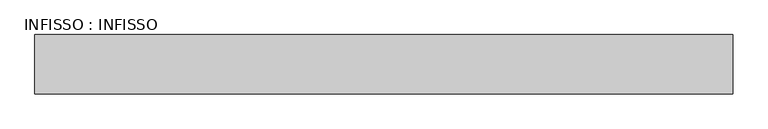
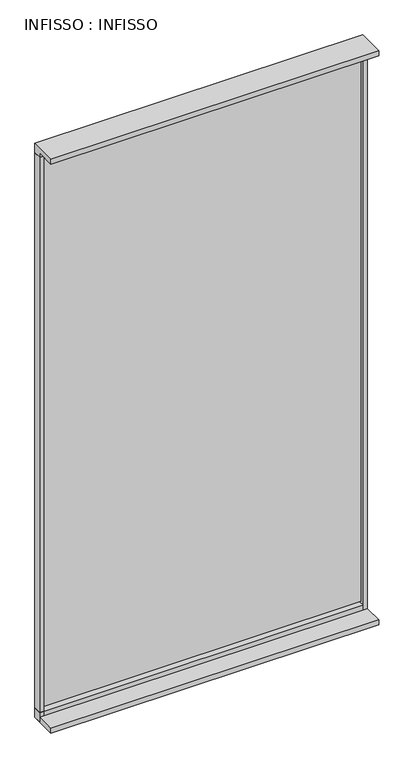
"""IFC4 building model written with IfcOpenShell, lengths in millimetres: plate geometry, INFISSO : INFISSO."""

from ifc_helpers import new_model, si_unit, frame, origin, origin_with_axes, place, context, project, spatial, polyline, outline, extrude, source, transform, mapped, element, save


def infisso_infisso_5190fa45(model_context):
    return source(origin(), model_context, "Body", "SweptSolid", [
        extrude(outline(polyline([(975.0, -25.0), (-975.0, -25.0), (-975.0, -13.0823211), (975.0, -13.0823211), (975.0, -25.0)])), frame((0.0, 0.0, 70.0), z_axis=(0.0, 0.0, 1.0), x_axis=(1.0, 0.0, 0.0)), (0.0, 0.0, 1.0), 3570.0),
        extrude(outline(polyline([(-1000.0, 0.0), (-975.0, 0.0), (-975.0, -50.0), (-1000.0, -50.0), (-1000.0, 0.0)])), origin_with_axes(), (0.0, 0.0, 1.0), 3640.0),
        extrude(outline(polyline([(975.0, 0.0), (1000.0, 0.0), (1000.0, -50.0), (975.0, -50.0), (975.0, 0.0)])), origin_with_axes(), (0.0, 0.0, 1.0), 3640.0),
        extrude(outline(polyline([(0.0, 3700.0), (0.0, 3640.0), (-50.0, 3640.0), (-50.0, 3670.0), (-170.0, 3670.0), (-170.0, 3700.0), (0.0, 3700.0)])), frame((-1000.0, 0.0, 0.0), z_axis=(1.0, 0.0, 0.0), x_axis=(0.0, 1.0, 0.0)), (0.0, 0.0, 1.0), 2000.0),
        extrude(outline(polyline([(0.0, 0.0), (-170.0, 0.0), (-170.0, 30.0), (-50.0, 30.0), (-50.0, 60.0), (0.0, 60.0), (0.0, 0.0)])), frame((-1000.0, 0.0, 0.0), z_axis=(1.0, 0.0, 0.0), x_axis=(0.0, 1.0, 0.0)), (0.0, 0.0, 1.0), 2000.0),
    ])


if __name__ == "__main__":
    model = new_model("IFC4")
    model_context = context("Model", 3, world=origin())
    ifc_project = project(units=[si_unit("LENGTHUNIT", "METRE", prefix="MILLI")], contexts=[model_context])
    site = spatial("IfcSite", under=ifc_project)
    building = spatial("IfcBuilding", under=site)
    placement = place(None, origin())
    infisso_infisso_shape = infisso_infisso_5190fa45(model_context)
    element("IfcPlate", 1, ObjectType="INFISSO : INFISSO", at=placement, inside=building, context=model_context, shape_type="MappedRepresentation", body=[
        mapped(infisso_infisso_shape, transform((0.0, 0.0, 0.0), x_axis=(1.0, 0.0, 0.0), y_axis=(0.0, 1.0, 0.0), z_axis=(0.0, 0.0, 1.0))),
    ])
    save(model, "model.ifc")
